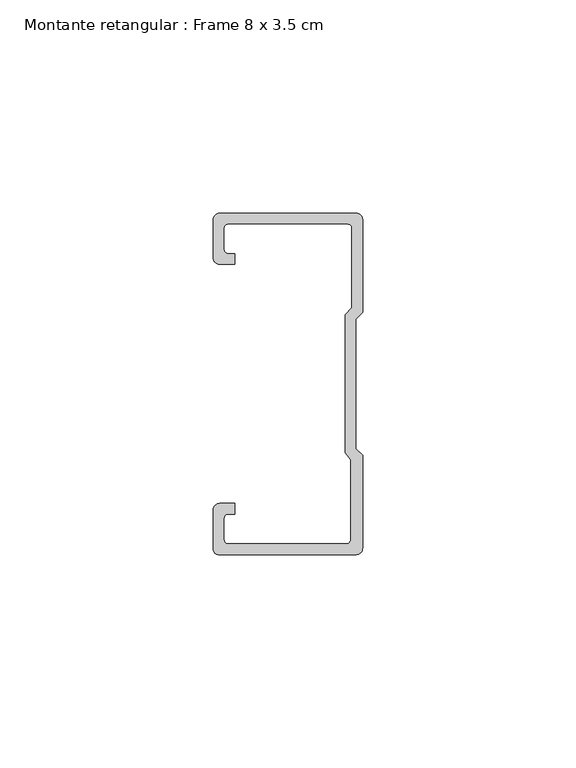
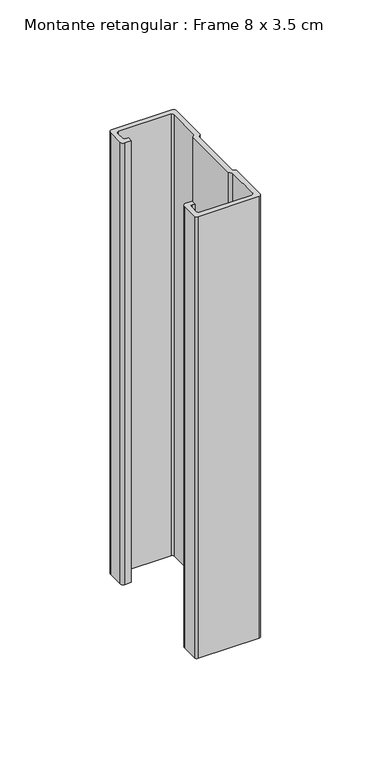
"""IFC4 building model written with IfcOpenShell, lengths in millimetres: member geometry, Montante retangular : Frame 8 x 3.5 cm."""

from ifc_helpers import new_model, si_unit, point, frame, frame_2d, origin, place, context, project, spatial, polyline, circle_curve, trimmed, segment, composite_curve, outline, extrude, source, transform, mapped, element, save


def montante_retangular_frame_8_x_3_5_cm_3b8884b1(model_context):
    return source(origin(), model_context, "Body", "SweptSolid", [
        extrude(outline(composite_curve([segment(polyline([(-17.5, 29.5276505), (-17.5, 38.5)]), True, "CONTINUOUS"), segment(trimmed(circle_curve(frame_2d((-16.0, 38.5)), 1.5), [point((-17.5, 38.5))], [point((-16.0, 40.0))], False, "CARTESIAN"), True, "CONTINUOUS"), segment(polyline([(-16.0, 40.0), (16.0, 40.0)]), True, "CONTINUOUS"), segment(trimmed(circle_curve(frame_2d((16.0, 38.5)), 1.5), [point((16.0, 40.0))], [point((17.5, 38.5))], False, "CARTESIAN"), True, "CONTINUOUS"), segment(polyline([(17.5, 38.5), (17.5, 16.7622662), (15.9122869, 15.174553), (15.9122869, -15.174553), (17.5, -16.7622662), (17.5, -38.5)]), True, "CONTINUOUS"), segment(trimmed(circle_curve(frame_2d((16.0, -38.5)), 1.5), [point((17.5, -38.5))], [point((16.0, -40.0))], False, "CARTESIAN"), True, "CONTINUOUS"), segment(polyline([(16.0, -40.0), (-16.3171833, -40.0)]), True, "CONTINUOUS"), segment(trimmed(circle_curve(frame_2d((-16.3171833, -38.8171833)), 1.1828167), [point((-16.3171833, -40.0))], [point((-17.5, -38.8171833))], False, "CARTESIAN"), True, "CONTINUOUS"), segment(polyline([(-17.5, -38.8171833), (-17.5, -29.5276505)]), True, "CONTINUOUS"), segment(trimmed(circle_curve(frame_2d((-16.0, -29.5276505)), 1.5), [point((-17.5, -29.5276505))], [point((-16.0, -28.0276505))], False, "CARTESIAN"), True, "CONTINUOUS"), segment(polyline([(-16.0, -28.0276505), (-12.5162256, -28.0276505), (-12.5162256, -30.5276505), (-14.0, -30.5276505)]), True, "CONTINUOUS"), segment(trimmed(circle_curve(frame_2d((-14.0, -31.5276505)), 1.0), [point((-14.0, -30.5276505))], [point((-15.0, -31.5276505))], True, "CARTESIAN"), True, "CONTINUOUS"), segment(polyline([(-15.0, -31.5276505), (-15.0, -36.5)]), True, "CONTINUOUS"), segment(trimmed(circle_curve(frame_2d((-14.0, -36.5)), 1.0), [point((-15.0, -36.5))], [point((-14.0, -37.5))], True, "CARTESIAN"), True, "CONTINUOUS"), segment(polyline([(-14.0, -37.5), (13.692786, -37.5)]), True, "CONTINUOUS"), segment(trimmed(circle_curve(frame_2d((13.692786, -36.5)), 1.0), [point((13.692786, -37.5))], [point((14.692786, -36.5))], True, "CARTESIAN"), True, "CONTINUOUS"), segment(polyline([(14.692786, -36.5), (14.692786, -17.7671948), (13.4122869, -16.1794816), (13.4122869, 16.2100869), (15.0, 17.7978001), (15.0, 36.5)]), True, "CONTINUOUS"), segment(trimmed(circle_curve(frame_2d((14.0, 36.5)), 1.0), [point((15.0, 36.5))], [point((14.0, 37.5))], True, "CARTESIAN"), True, "CONTINUOUS"), segment(polyline([(14.0, 37.5), (-14.0, 37.5)]), True, "CONTINUOUS"), segment(trimmed(circle_curve(frame_2d((-14.0, 36.5)), 1.0), [point((-14.0, 37.5))], [point((-15.0, 36.5))], True, "CARTESIAN"), True, "CONTINUOUS"), segment(polyline([(-15.0, 36.5), (-15.0, 31.5276505)]), True, "CONTINUOUS"), segment(trimmed(circle_curve(frame_2d((-14.0, 31.5276505)), 1.0), [point((-15.0, 31.5276505))], [point((-14.0, 30.5276505))], True, "CARTESIAN"), True, "CONTINUOUS"), segment(polyline([(-14.0, 30.5276505), (-12.5162256, 30.5276505), (-12.5162256, 28.0276505), (-16.0, 28.0276505)]), True, "CONTINUOUS"), segment(trimmed(circle_curve(frame_2d((-16.0, 29.5276505)), 1.5), [point((-16.0, 28.0276505))], [point((-17.5, 29.5276505))], False, "CARTESIAN"), True, "CONTINUOUS")], self_intersect=False)), frame((0.0, 0.0, -247.5), z_axis=(0.0, 0.0, 1.0), x_axis=(1.0, 0.0, 0.0)), (0.0, 0.0, 1.0), 247.5),
    ])


if __name__ == "__main__":
    model = new_model("IFC4")
    model_context = context("Model", 3, world=origin())
    ifc_project = project(units=[si_unit("LENGTHUNIT", "METRE", prefix="MILLI")], contexts=[model_context])
    site = spatial("IfcSite", under=ifc_project)
    building = spatial("IfcBuilding", under=site)
    placement = place(None, origin())
    montante_retangular_frame_8_x_3_5_cm_shape = montante_retangular_frame_8_x_3_5_cm_3b8884b1(model_context)
    element("IfcMember", 1, ObjectType="Montante retangular : Frame 8 x 3.5 cm", at=placement, inside=building, context=model_context, shape_type="MappedRepresentation", body=[
        mapped(montante_retangular_frame_8_x_3_5_cm_shape, transform((0.0, 0.0, 0.0), x_axis=(1.0, 0.0, 0.0), y_axis=(0.0, 1.0, 0.0), z_axis=(0.0, 0.0, 1.0))),
    ])
    save(model, "model.ifc")
